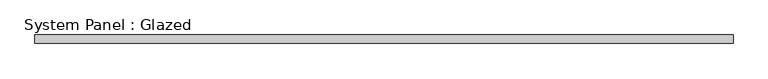
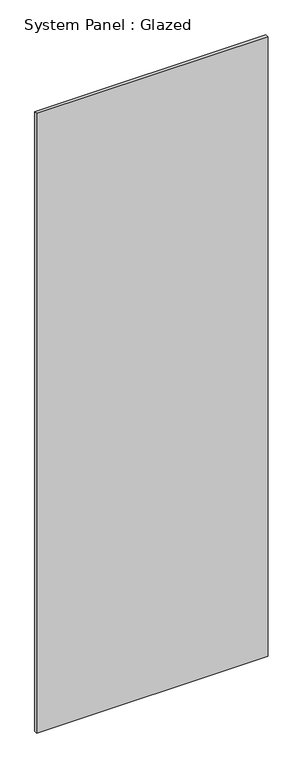
"""IFC4 building model written with IfcOpenShell, lengths in millimetres: plate geometry, System Panel : Glazed."""

from ifc_helpers import new_model, si_unit, origin, origin_with_axes, place, context, project, spatial, polyline, outline, extrude, source, transform, mapped, element, save


def system_panel_glazed_a44c8105(model_context):
    return source(origin(), model_context, "Body", "SweptSolid", [
        extrude(outline(polyline([(1040.5333333, 19.05), (-1040.5333333, 19.05), (-1040.5333333, 44.45), (1040.5333333, 44.45), (1040.5333333, 19.05)])), origin_with_axes(), (0.0, 0.0, 1.0), 5890.0),
    ])


if __name__ == "__main__":
    model = new_model("IFC4")
    model_context = context("Model", 3, world=origin())
    ifc_project = project(units=[si_unit("LENGTHUNIT", "METRE", prefix="MILLI")], contexts=[model_context])
    site = spatial("IfcSite", under=ifc_project)
    building = spatial("IfcBuilding", under=site)
    placement = place(None, origin())
    system_panel_glazed_shape = system_panel_glazed_a44c8105(model_context)
    element("IfcPlate", 1, ObjectType="System Panel : Glazed", at=placement, inside=building, context=model_context, shape_type="MappedRepresentation", body=[
        mapped(system_panel_glazed_shape, transform((0.0, 0.0, 0.0), x_axis=(1.0, 0.0, 0.0), y_axis=(0.0, 1.0, 0.0), z_axis=(0.0, 0.0, 1.0))),
    ])
    save(model, "model.ifc")
